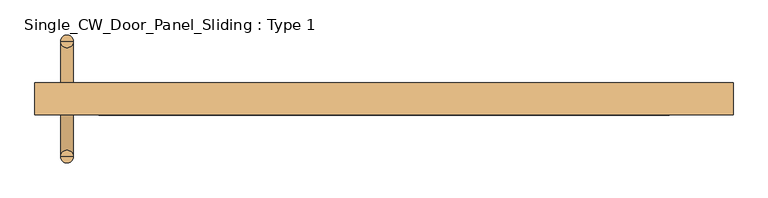
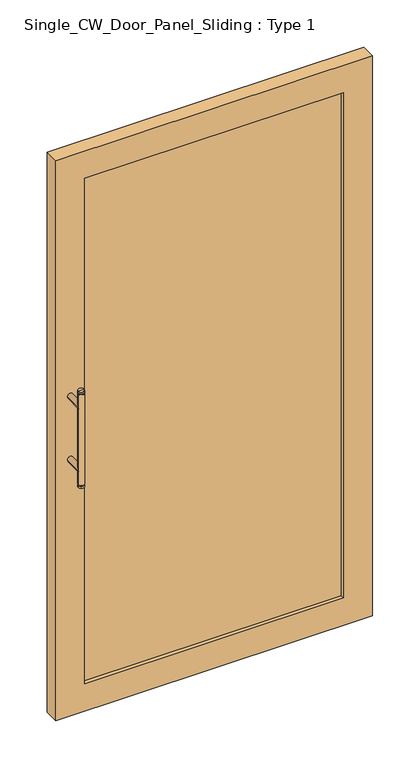
"""IFC4 building model written with IfcOpenShell, lengths in millimetres: door geometry, Single_CW_Door_Panel_Sliding : Type 1."""

import ifcopenshell
import ifcopenshell.guid

model = None  # the IFC model being written
_history = None  # IfcOwnerHistory: only IFC2X3 demands one
_inside = {}  # id of a spatial element -> (the spatial element, [elements in it])
_under = {}  # id of a project, library or spatial element -> (it, [spatial elements below it])
_declared = {}  # id of a project -> (the project, [libraries it declares])
_typed = {}  # id of a type object -> (the type object, [elements of that type])
_made_of = {}  # id of a material, layer set ... -> (it, [elements and type objects made of it])


def new_model(schema):
    """Start an empty IFC model of exactly this schema.

    Asked for "IFC4X3", IfcOpenShell would pick the latest addendum, in which some entities
    have other attributes; the version numbers below select the first issue.
    IFC2X3 requires an IfcOwnerHistory on every rooted entity: one is made here for all.
    """
    global model, _history
    if schema == "IFC4X3":
        model = ifcopenshell.file(schema_version=(4, 3, 0, 0))
    else:
        model = ifcopenshell.file(schema=schema)
    _inside.clear()
    _under.clear()
    _declared.clear()
    _typed.clear()
    _made_of.clear()
    _history = None
    if model.schema == "IFC2X3":
        org = make("IfcOrganization", Name="unknown")
        user = make(
            "IfcPersonAndOrganization",
            ThePerson=make("IfcPerson", FamilyName="unknown"),
            TheOrganization=org,
        )
        app = make(
            "IfcApplication",
            ApplicationDeveloper=org,
            Version="unknown",
            ApplicationFullName="unknown",
            ApplicationIdentifier="unknown",
        )
        _history = make(
            "IfcOwnerHistory",
            OwningUser=user,
            OwningApplication=app,
            ChangeAction="ADDED",
            CreationDate=0,
        )
    return model


def make(cls, **values):
    """One entity of the class cls with the attributes given. An attribute that is None is left unset."""
    return model.create_entity(
        cls, **{name: value for name, value in values.items() if value is not None}
    )


def rooted(cls, **values):
    """An entity with a GlobalId (a new one), such as an element, a storey or a relation."""
    return make(cls, GlobalId=ifcopenshell.guid.new(), OwnerHistory=_history, **values)


def si_unit(unit_type, name, prefix=None):
    """IfcSIUnit, for example si_unit("LENGTHUNIT", "METRE", prefix="MILLI")."""
    return make("IfcSIUnit", UnitType=unit_type, Prefix=prefix, Name=name)


def assignment(units):
    """IfcUnitAssignment: the units of a project."""
    return None if units is None else make("IfcUnitAssignment", Units=units)


def point(xyz):
    """IfcCartesianPoint."""
    return None if xyz is None else make("IfcCartesianPoint", Coordinates=xyz)


def direction(xyz):
    """IfcDirection."""
    return None if xyz is None else make("IfcDirection", DirectionRatios=xyz)


def frame(location, z_axis=None, x_axis=None):
    """IfcAxis2Placement3D, a coordinate frame: its origin and axes. An axis left out is left unset."""
    return make(
        "IfcAxis2Placement3D",
        Location=point(location),
        Axis=direction(z_axis),
        RefDirection=direction(x_axis),
    )


def frame_2d(location, x_axis=None):
    """IfcAxis2Placement2D, a coordinate frame in the plane: its origin and x axis."""
    return make(
        "IfcAxis2Placement2D", Location=point(location), RefDirection=direction(x_axis)
    )


def origin():
    """The frame at (0, 0, 0) with its axes left unset."""
    return frame((0.0, 0.0, 0.0))


def place(relative_to, where):
    """IfcLocalPlacement: puts the frame where relative to a parent placement (None: the world)."""
    return make(
        "IfcLocalPlacement", PlacementRelTo=relative_to, RelativePlacement=where
    )


def context(
    kind, dimensions, precision=None, world=None, true_north=None, identifier=None
):
    """IfcGeometricRepresentationContext, for example the 3D "Model" context."""
    return make(
        "IfcGeometricRepresentationContext",
        ContextIdentifier=identifier,
        ContextType=kind,
        CoordinateSpaceDimension=dimensions,
        Precision=precision,
        WorldCoordinateSystem=world,
        TrueNorth=true_north,
    )


def project(units=None, contexts=None):
    """IfcProject with its units and contexts."""
    return rooted(
        "IfcProject",
        Name="project",
        RepresentationContexts=contexts,
        UnitsInContext=assignment(units),
    )


def spatial(cls, under=None, at=None, **own):
    """A site, building, storey or space (cls), placed at a placement, below another one or the project."""
    s = rooted(cls, ObjectPlacement=at, **own)
    if under is not None:
        _under.setdefault(under.id(), (under, []))[1].append(s)
    return s


def polyline(points):
    """IfcPolyline through the points."""
    return make("IfcPolyline", Points=[point(p) for p in points])


def circle_curve(where, radius):
    """IfcCircle in the frame where."""
    return make("IfcCircle", Position=where, Radius=radius)


def trimmed(basis, trim1, trim2, sense, master):
    """IfcTrimmedCurve: the piece of a basis curve between two trims."""
    return make(
        "IfcTrimmedCurve",
        BasisCurve=basis,
        Trim1=trim1,
        Trim2=trim2,
        SenseAgreement=sense,
        MasterRepresentation=master,
    )


def segment(curve, same_sense, transition):
    """IfcCompositeCurveSegment."""
    return make(
        "IfcCompositeCurveSegment",
        Transition=transition,
        SameSense=same_sense,
        ParentCurve=curve,
    )


def composite_curve(segments, self_intersect=None):
    """IfcCompositeCurve: segments joined end to end."""
    return make("IfcCompositeCurve", Segments=segments, SelfIntersect=self_intersect)


def outline(outer, holes=None, kind="AREA"):
    """IfcArbitraryClosedProfileDef: a profile drawn as a closed curve; with holes, ...WithVoids."""
    if holes is None:
        return make("IfcArbitraryClosedProfileDef", ProfileType=kind, OuterCurve=outer)
    return make(
        "IfcArbitraryProfileDefWithVoids",
        ProfileType=kind,
        OuterCurve=outer,
        InnerCurves=holes,
    )


def extrude(swept, where, along, depth):
    """IfcExtrudedAreaSolid: the profile swept, set in the frame where, extruded along a direction by depth."""
    return make(
        "IfcExtrudedAreaSolid",
        SweptArea=swept,
        Position=where,
        ExtrudedDirection=direction(along),
        Depth=depth,
    )


def shape(context_of_items, identifier, shape_type, items):
    """IfcShapeRepresentation: the items that make up one representation, for example the "Body"."""
    return make(
        "IfcShapeRepresentation",
        ContextOfItems=context_of_items,
        RepresentationIdentifier=identifier,
        RepresentationType=shape_type,
        Items=items,
    )


def source(mapping_origin, context_of_items, identifier, shape_type, items):
    """IfcRepresentationMap: a shape defined once, which mapped items show again and again."""
    return make(
        "IfcRepresentationMap",
        MappingOrigin=mapping_origin,
        MappedRepresentation=shape(context_of_items, identifier, shape_type, items),
    )


def transform(
    local_origin,
    x_axis=None,
    y_axis=None,
    z_axis=None,
    scale=None,
    scale2=None,
    scale3=None,
    uniform=True,
):
    """IfcCartesianTransformationOperator3D, or its non-uniform kind. x_axis, y_axis, z_axis: its Axis1, 2, 3."""
    if uniform:
        return make(
            "IfcCartesianTransformationOperator3D",
            Axis1=direction(x_axis),
            Axis2=direction(y_axis),
            LocalOrigin=point(local_origin),
            Scale=scale,
            Axis3=direction(z_axis),
        )
    return make(
        "IfcCartesianTransformationOperator3DnonUniform",
        Axis1=direction(x_axis),
        Axis2=direction(y_axis),
        LocalOrigin=point(local_origin),
        Scale=scale,
        Axis3=direction(z_axis),
        Scale2=scale2,
        Scale3=scale3,
    )


def mapped(mapping_source, mapping_target):
    """IfcMappedItem: shows the shape of a source again, moved by a transform."""
    return make(
        "IfcMappedItem", MappingSource=mapping_source, MappingTarget=mapping_target
    )


def made_of(thing, what):
    """Note that an element or type object is made of a material, layer set ...; save() writes the relation."""
    if what is not None:
        _made_of.setdefault(what.id(), (what, []))[1].append(thing)
    return thing


def element(
    cls,
    number,
    at=None,
    inside=None,
    cuts=None,
    type_object=None,
    material=None,
    context=None,
    identifier="Body",
    shape_type=None,
    held_by="IfcProductDefinitionShape",
    body=None,
    shapes=None,
    **own,
):
    """One element of the class cls, such as IfcWall. Its Tag is "e" and its number.

    at: its placement. inside: the storey or other place that contains it. cuts: it is an
    opening in that element (IfcRelVoidsElement). A single representation is given by context,
    identifier, shape_type and body (its items); several are given by shapes. held_by: the class
    of the entity that holds the representations. save() writes the other relations.
    """
    e = rooted(cls, Tag="e%d" % number, ObjectPlacement=at, **own)
    if body is not None:
        shapes = [shape(context, identifier, shape_type, body)]
    if shapes is not None:
        e.Representation = make(held_by, Representations=shapes)
    if inside is not None:
        _inside.setdefault(inside.id(), (inside, []))[1].append(e)
    if cuts is not None:
        rooted(
            "IfcRelVoidsElement", RelatingBuildingElement=cuts, RelatedOpeningElement=e
        )
    if type_object is not None:
        _typed.setdefault(type_object.id(), (type_object, []))[1].append(e)
    return made_of(e, material)


def aggregate(whole, parts):
    """IfcRelAggregates: a whole, such as a stair, and the parts it consists of."""
    return rooted("IfcRelAggregates", RelatingObject=whole, RelatedObjects=parts)


def save(model, path):
    """Write the relations noted so far, then the file.

    IfcRelAggregates (storeys below a building ...), IfcRelContainedInSpatialStructure (elements
    in a storey), IfcRelDefinesByType, IfcRelAssociatesMaterial and IfcRelDeclares: one each for
    every whole, place, type object, material and project.
    """
    for whole, parts in _under.values():
        aggregate(whole, parts)
    for where, things in _inside.values():
        rooted(
            "IfcRelContainedInSpatialStructure",
            RelatedElements=things,
            RelatingStructure=where,
        )
    for kind, things in _typed.values():
        rooted("IfcRelDefinesByType", RelatedObjects=things, RelatingType=kind)
    for what, things in _made_of.values():
        rooted("IfcRelAssociatesMaterial", RelatedObjects=things, RelatingMaterial=what)
    for by, libraries in _declared.values():
        rooted("IfcRelDeclares", RelatingContext=by, RelatedDefinitions=libraries)
    model.write(path)


def plane_surface(at):
    """IfcPlane: the flat surface through the origin of the frame at, square to its z axis."""
    return make("IfcPlane", Position=at)


def cylinder_surface(at, radius):
    """IfcCylindricalSurface: all points at the distance radius from the z axis of the frame at."""
    return make("IfcCylindricalSurface", Position=at, Radius=radius)


def advanced_brep(points, edges, surfaces, faces):
    """IfcAdvancedBrep: a solid bounded by faces that lie on surfaces and meet in shared edges.

    An edge is (start, end): straight between two places in points (the first is 0);
    or (start, end, curve); or (start, end, curve, False) where it runs against its curve.
    A face is (place in surfaces, loops), or (place, loops, False) where it looks against
    its surface's normal. A loop lists edges by number (the first is 1), with a minus sign
    where the edge is run from its end to its start. The first loop is the outer one.
    """
    corners = [point(p) for p in points]
    vertices = [make("IfcVertexPoint", VertexGeometry=c) for c in corners]
    made = []
    for start, end, *more in edges:
        made.append(
            make(
                "IfcEdgeCurve",
                EdgeStart=vertices[start],
                EdgeEnd=vertices[end],
                EdgeGeometry=more[0] if more else make("IfcPolyline", Points=[corners[start], corners[end]]),
                SameSense=more[1] if len(more) > 1 else True,
            )
        )
    hull = []
    for where, loops, *sense in faces:
        bounds = []
        for j, loop in enumerate(loops):
            ring = [make("IfcOrientedEdge", EdgeElement=made[abs(k) - 1], Orientation=k > 0) for k in loop]
            bounds.append(
                make(
                    "IfcFaceOuterBound" if j == 0 else "IfcFaceBound",
                    Bound=make("IfcEdgeLoop", EdgeList=ring),
                    Orientation=True,
                )
            )
        hull.append(make("IfcAdvancedFace", Bounds=bounds, FaceSurface=surfaces[where], SameSense=sense[0] if sense else True))
    return make("IfcAdvancedBrep", Outer=make("IfcClosedShell", CfsFaces=hull))


def single_cw_door_panel_sliding_type_1_eefb783d(model_context):
    return source(origin(), model_context, "Body", "SolidModel", [
        advanced_brep(
        [(-485.503163, -90.0, 1219.0), (-485.503163, -90.0, 1225.0), (-505.503163, -90.0, 1225.0), (-505.503163, -90.0, 1219.0), (-503.5355131, -90.0, 1214.7650043), (-503.5355131, -90.0, 1219.0), (-487.4708128, -90.0, 1219.0), (-487.4708128, -90.0, 1214.7650043), (-485.503163, -90.0, 1214.7650043), (-505.503163, -90.0, 1214.7650043), (-485.503163, -90.0, 885.2349957), (-505.503163, -90.0, 885.2349957), (-487.4708128, -90.0, 885.2349957), (-503.5355131, -90.0, 885.2349957), (-487.4708128, -90.0, 881.0), (-503.5355131, -90.0, 881.0), (-485.503163, -90.0, 881.0), (-505.503163, -90.0, 881.0), (-485.503163, -90.0, 875.0), (-505.503163, -90.0, 875.0), (-495.503163, -90.0, 875.0), (-495.503163, -90.0, 1225.0)],
        [
            (0, 1),
            (1, 2, circle_curve(frame((-495.503163, -90.0, 1225.0), z_axis=(0.0, 0.0, -1.0), x_axis=(-1.0, 0.0, 0.0)), 10.0)),
            (2, 3),
            (3, 0, circle_curve(frame((-495.503163, -90.0, 1219.0), z_axis=(0.0, 0.0, 1.0), x_axis=(-1.0, 0.0, 0.0)), 10.0)),
            (4, 5),
            (5, 6, circle_curve(frame((-495.503163, -90.0, 1219.0), z_axis=(0.0, 0.0, -1.0), x_axis=(-1.0, 0.0, 0.0)), 8.0323501)),
            (6, 7),
            (7, 4, circle_curve(frame((-495.503163, -90.0, 1214.7650043), z_axis=(0.0, 0.0, 1.0), x_axis=(-1.0, 0.0, 0.0)), 8.0323501)),
            (2, 1, circle_curve(frame((-495.503163, -90.0, 1225.0), z_axis=(0.0, 0.0, -1.0), x_axis=(-1.0, 0.0, 0.0)), 10.0)),
            (0, 3, circle_curve(frame((-495.503163, -90.0, 1219.0), z_axis=(0.0, 0.0, 1.0), x_axis=(-1.0, 0.0, 0.0)), 10.0)),
            (6, 0),
            (3, 5),
            (5, 6, circle_curve(frame((-495.503163, -90.0, 1219.0), z_axis=(0.0, 0.0, 1.0), x_axis=(-1.0, 0.0, 0.0)), 8.0323501)),
            (4, 7, circle_curve(frame((-495.503163, -90.0, 1214.7650043), z_axis=(0.0, 0.0, 1.0), x_axis=(-1.0, 0.0, 0.0)), 8.0323501)),
            (8, 7),
            (4, 9),
            (9, 8, circle_curve(frame((-495.503163, -90.0, 1214.7650043), z_axis=(0.0, 0.0, 1.0), x_axis=(-1.0, 0.0, 0.0)), 10.0)),
            (8, 9, circle_curve(frame((-495.503163, -90.0, 1214.7650043), z_axis=(0.0, 0.0, 1.0), x_axis=(-1.0, 0.0, 0.0)), 10.0)),
            (10, 8),
            (9, 11),
            (11, 10, circle_curve(frame((-495.503163, -90.0, 885.2349957), z_axis=(0.0, 0.0, 1.0), x_axis=(-1.0, 0.0, 0.0)), 10.0)),
            (10, 11, circle_curve(frame((-495.503163, -90.0, 885.2349957), z_axis=(0.0, 0.0, 1.0), x_axis=(-1.0, 0.0, 0.0)), 10.0)),
            (12, 10),
            (11, 13),
            (13, 12, circle_curve(frame((-495.503163, -90.0, 885.2349957), z_axis=(0.0, 0.0, 1.0), x_axis=(-1.0, 0.0, 0.0)), 8.0323501)),
            (12, 13, circle_curve(frame((-495.503163, -90.0, 885.2349957), z_axis=(0.0, 0.0, 1.0), x_axis=(-1.0, 0.0, 0.0)), 8.0323501)),
            (14, 12),
            (13, 15),
            (15, 14, circle_curve(frame((-495.503163, -90.0, 881.0), z_axis=(0.0, 0.0, 1.0), x_axis=(-1.0, 0.0, 0.0)), 8.0323501)),
            (14, 15, circle_curve(frame((-495.503163, -90.0, 881.0), z_axis=(0.0, 0.0, 1.0), x_axis=(-1.0, 0.0, 0.0)), 8.0323501)),
            (16, 14),
            (15, 17),
            (17, 16, circle_curve(frame((-495.503163, -90.0, 881.0), z_axis=(0.0, 0.0, 1.0), x_axis=(-1.0, 0.0, 0.0)), 10.0)),
            (16, 17, circle_curve(frame((-495.503163, -90.0, 881.0), z_axis=(0.0, 0.0, 1.0), x_axis=(-1.0, 0.0, 0.0)), 10.0)),
            (18, 16),
            (17, 19),
            (19, 18, circle_curve(frame((-495.503163, -90.0, 875.0), z_axis=(0.0, 0.0, 1.0), x_axis=(-1.0, 0.0, 0.0)), 10.0)),
            (18, 19, circle_curve(frame((-495.503163, -90.0, 875.0), z_axis=(0.0, 0.0, 1.0), x_axis=(-1.0, 0.0, 0.0)), 10.0)),
            (20, 18),
            (19, 20),
            (1, 21),
            (21, 2),
        ],
        [
            cylinder_surface(frame((-495.503163, -90.0, 850.0), z_axis=(0.0, 0.0, -1.0), x_axis=(-1.0, 0.0, 0.0)), 10.0),
            cylinder_surface(frame((-495.503163, -90.0, 850.0), z_axis=(0.0, 0.0, -1.0), x_axis=(-1.0, 0.0, 0.0)), 8.0323501),
            plane_surface(frame((-495.503163, -90.0, 1219.0), z_axis=(0.0, 0.0, -1.0), x_axis=(-1.0, 0.0, 0.0))),
            plane_surface(frame((-495.503163, -90.0, 1214.7650043), z_axis=(0.0, 0.0, 1.0), x_axis=(-1.0, 0.0, 0.0))),
            plane_surface(frame((-495.503163, -90.0, 885.2349957), z_axis=(0.0, 0.0, -1.0), x_axis=(-1.0, 0.0, 0.0))),
            plane_surface(frame((-495.503163, -90.0, 881.0), z_axis=(0.0, 0.0, 1.0), x_axis=(-1.0, 0.0, 0.0))),
            plane_surface(frame((-495.503163, -90.0, 875.0), z_axis=(0.0, 0.0, -1.0), x_axis=(-1.0, 0.0, 0.0))),
            plane_surface(frame((-495.503163, -90.0, 1225.0), z_axis=(0.0, 0.0, 1.0), x_axis=(-1.0, 0.0, 0.0))),
        ],
        [
            (0, [[1, 2, 3, 4]]),
            (1, [[5, 6, 7, 8]]),
            (0, [[-3, 9, -1, 10]]),
            (2, [[11, -4, 12, 13]]),
            (2, [[-12, -10, -11, -6]]),
            (1, [[-7, -13, -5, 14]]),
            (3, [[15, -14, 16, 17]]),
            (3, [[-16, -8, -15, 18]]),
            (0, [[19, -17, 20, 21]]),
            (0, [[-20, -18, -19, 22]]),
            (4, [[23, -21, 24, 25]]),
            (4, [[-24, -22, -23, 26]]),
            (1, [[27, -25, 28, 29]]),
            (1, [[-28, -26, -27, 30]]),
            (5, [[31, -29, 32, 33]]),
            (5, [[-32, -30, -31, 34]]),
            (0, [[35, -33, 36, 37]]),
            (0, [[-36, -34, -35, 38]]),
            (6, [[39, -37, 40]]),
            (6, [[-40, -38, -39]]),
            (7, [[41, 42, -2]]),
            (7, [[-42, -41, -9]]),
        ],
    ),
        extrude(outline(composite_curve([segment(trimmed(circle_curve(frame_2d((935.0, -495.503163)), 10.0), [point((935.0, -505.503163))], [point((935.0, -485.503163))], False, "CARTESIAN"), True, "CONTINUOUS"), segment(trimmed(circle_curve(frame_2d((935.0, -495.503163)), 10.0), [point((935.0, -485.503163))], [point((935.0, -505.503163))], False, "CARTESIAN"), True, "CONTINUOUS")], self_intersect=False)), frame((0.0, -90.0, 0.0), z_axis=(0.0, 1.0, 0.0), x_axis=(0.0, 0.0, 1.0)), (0.0, 0.0, 1.0), 65.0),
        extrude(outline(composite_curve([segment(trimmed(circle_curve(frame_2d((1165.0, -495.503163)), 10.0), [point((1165.0, -505.503163))], [point((1165.0, -485.503163))], False, "CARTESIAN"), True, "CONTINUOUS"), segment(trimmed(circle_curve(frame_2d((1165.0, -495.503163)), 10.0), [point((1165.0, -485.503163))], [point((1165.0, -505.503163))], False, "CARTESIAN"), True, "CONTINUOUS")], self_intersect=False)), frame((0.0, -90.0, 0.0), z_axis=(0.0, 1.0, 0.0), x_axis=(0.0, 0.0, 1.0)), (0.0, 0.0, 1.0), 65.0),
        extrude(outline(polyline([(445.503163, -12.5), (-445.503163, -12.5), (-445.503163, 12.5), (445.503163, 12.5), (445.503163, -12.5)])), frame((0.0, 0.0, 100.0), z_axis=(0.0, 0.0, 1.0), x_axis=(1.0, 0.0, 0.0)), (0.0, 0.0, 1.0), 1839.3572971),
        extrude(outline(polyline([(2039.3572971, 545.503163), (2039.3572971, -545.503163), (0.0, -545.503163), (0.0, 545.503163), (2039.3572971, 545.503163)]), holes=[polyline([(1939.3572971, 445.503163), (100.0, 445.503163), (100.0, -445.503163), (1939.3572971, -445.503163), (1939.3572971, 445.503163)])]), frame((0.0, -25.0, 0.0), z_axis=(0.0, 1.0, 0.0), x_axis=(0.0, 0.0, 1.0)), (0.0, 0.0, 1.0), 50.0),
        advanced_brep(
        [(-485.503163, 90.0, 1219.0), (-505.503163, 90.0, 1219.0), (-505.503163, 90.0, 1225.0), (-485.503163, 90.0, 1225.0), (-503.5355131, 90.0, 1214.7650043), (-487.4708128, 90.0, 1214.7650043), (-487.4708128, 90.0, 1219.0), (-503.5355131, 90.0, 1219.0), (-485.503163, 90.0, 1214.7650043), (-505.503163, 90.0, 1214.7650043), (-485.503163, 90.0, 885.2349957), (-505.503163, 90.0, 885.2349957), (-487.4708128, 90.0, 885.2349957), (-503.5355131, 90.0, 885.2349957), (-487.4708128, 90.0, 881.0), (-503.5355131, 90.0, 881.0), (-485.503163, 90.0, 881.0), (-505.503163, 90.0, 881.0), (-485.503163, 90.0, 875.0), (-505.503163, 90.0, 875.0), (-495.503163, 90.0, 875.0), (-495.503163, 90.0, 1225.0)],
        [
            (0, 1, circle_curve(frame((-495.503163, 90.0, 1219.0), z_axis=(0.0, 0.0, 1.0), x_axis=(-1.0, 0.0, 0.0)), 10.0)),
            (1, 2),
            (2, 3, circle_curve(frame((-495.503163, 90.0, 1225.0), z_axis=(0.0, 0.0, -1.0), x_axis=(-1.0, 0.0, 0.0)), 10.0)),
            (3, 0),
            (4, 5, circle_curve(frame((-495.503163, 90.0, 1214.7650043), z_axis=(0.0, 0.0, 1.0), x_axis=(-1.0, 0.0, 0.0)), 8.0323501)),
            (5, 6),
            (6, 7, circle_curve(frame((-495.503163, 90.0, 1219.0), z_axis=(0.0, 0.0, -1.0), x_axis=(-1.0, 0.0, 0.0)), 8.0323501)),
            (7, 4),
            (1, 0, circle_curve(frame((-495.503163, 90.0, 1219.0), z_axis=(0.0, 0.0, 1.0), x_axis=(-1.0, 0.0, 0.0)), 10.0)),
            (3, 2, circle_curve(frame((-495.503163, 90.0, 1225.0), z_axis=(0.0, 0.0, -1.0), x_axis=(-1.0, 0.0, 0.0)), 10.0)),
            (6, 7, circle_curve(frame((-495.503163, 90.0, 1219.0), z_axis=(0.0, 0.0, 1.0), x_axis=(-1.0, 0.0, 0.0)), 8.0323501)),
            (7, 1),
            (0, 6),
            (5, 4, circle_curve(frame((-495.503163, 90.0, 1214.7650043), z_axis=(0.0, 0.0, 1.0), x_axis=(-1.0, 0.0, 0.0)), 8.0323501)),
            (8, 9, circle_curve(frame((-495.503163, 90.0, 1214.7650043), z_axis=(0.0, 0.0, 1.0), x_axis=(-1.0, 0.0, 0.0)), 10.0)),
            (9, 4),
            (5, 8),
            (9, 8, circle_curve(frame((-495.503163, 90.0, 1214.7650043), z_axis=(0.0, 0.0, 1.0), x_axis=(-1.0, 0.0, 0.0)), 10.0)),
            (10, 11, circle_curve(frame((-495.503163, 90.0, 885.2349957), z_axis=(0.0, 0.0, 1.0), x_axis=(-1.0, 0.0, 0.0)), 10.0)),
            (11, 9),
            (8, 10),
            (11, 10, circle_curve(frame((-495.503163, 90.0, 885.2349957), z_axis=(0.0, 0.0, 1.0), x_axis=(-1.0, 0.0, 0.0)), 10.0)),
            (12, 13, circle_curve(frame((-495.503163, 90.0, 885.2349957), z_axis=(0.0, 0.0, 1.0), x_axis=(-1.0, 0.0, 0.0)), 8.0323501)),
            (13, 11),
            (10, 12),
            (13, 12, circle_curve(frame((-495.503163, 90.0, 885.2349957), z_axis=(0.0, 0.0, 1.0), x_axis=(-1.0, 0.0, 0.0)), 8.0323501)),
            (14, 15, circle_curve(frame((-495.503163, 90.0, 881.0), z_axis=(0.0, 0.0, 1.0), x_axis=(-1.0, 0.0, 0.0)), 8.0323501)),
            (15, 13),
            (12, 14),
            (15, 14, circle_curve(frame((-495.503163, 90.0, 881.0), z_axis=(0.0, 0.0, 1.0), x_axis=(-1.0, 0.0, 0.0)), 8.0323501)),
            (16, 17, circle_curve(frame((-495.503163, 90.0, 881.0), z_axis=(0.0, 0.0, 1.0), x_axis=(-1.0, 0.0, 0.0)), 10.0)),
            (17, 15),
            (14, 16),
            (17, 16, circle_curve(frame((-495.503163, 90.0, 881.0), z_axis=(0.0, 0.0, 1.0), x_axis=(-1.0, 0.0, 0.0)), 10.0)),
            (18, 19, circle_curve(frame((-495.503163, 90.0, 875.0), z_axis=(0.0, 0.0, 1.0), x_axis=(-1.0, 0.0, 0.0)), 10.0)),
            (19, 17),
            (16, 18),
            (19, 18, circle_curve(frame((-495.503163, 90.0, 875.0), z_axis=(0.0, 0.0, 1.0), x_axis=(-1.0, 0.0, 0.0)), 10.0)),
            (20, 19),
            (18, 20),
            (2, 21),
            (21, 3),
        ],
        [
            cylinder_surface(frame((-495.503163, 90.0, 850.0), z_axis=(0.0, 0.0, -1.0), x_axis=(-1.0, 0.0, 0.0)), 10.0),
            cylinder_surface(frame((-495.503163, 90.0, 850.0), z_axis=(0.0, 0.0, -1.0), x_axis=(-1.0, 0.0, 0.0)), 8.0323501),
            plane_surface(frame((-495.503163, 90.0, 1219.0), z_axis=(0.0, 0.0, -1.0), x_axis=(-1.0, 0.0, 0.0))),
            plane_surface(frame((-495.503163, 90.0, 1214.7650043), z_axis=(0.0, 0.0, 1.0), x_axis=(-1.0, 0.0, 0.0))),
            plane_surface(frame((-495.503163, 90.0, 885.2349957), z_axis=(0.0, 0.0, -1.0), x_axis=(-1.0, 0.0, 0.0))),
            plane_surface(frame((-495.503163, 90.0, 881.0), z_axis=(0.0, 0.0, 1.0), x_axis=(-1.0, 0.0, 0.0))),
            plane_surface(frame((-495.503163, 90.0, 875.0), z_axis=(0.0, 0.0, -1.0), x_axis=(-1.0, 0.0, 0.0))),
            plane_surface(frame((-495.503163, 90.0, 1225.0), z_axis=(0.0, 0.0, 1.0), x_axis=(-1.0, 0.0, 0.0))),
        ],
        [
            (0, [[1, 2, 3, 4]]),
            (1, [[5, 6, 7, 8]]),
            (0, [[9, -4, 10, -2]]),
            (2, [[11, 12, -1, 13]]),
            (2, [[-7, -13, -9, -12]]),
            (1, [[14, -8, -11, -6]]),
            (3, [[15, 16, -14, 17]]),
            (3, [[18, -17, -5, -16]]),
            (0, [[19, 20, -15, 21]]),
            (0, [[22, -21, -18, -20]]),
            (4, [[23, 24, -19, 25]]),
            (4, [[26, -25, -22, -24]]),
            (1, [[27, 28, -23, 29]]),
            (1, [[30, -29, -26, -28]]),
            (5, [[31, 32, -27, 33]]),
            (5, [[34, -33, -30, -32]]),
            (0, [[35, 36, -31, 37]]),
            (0, [[38, -37, -34, -36]]),
            (6, [[39, -35, 40]]),
            (6, [[-40, -38, -39]]),
            (7, [[-3, 41, 42]]),
            (7, [[-10, -42, -41]]),
        ],
    ),
        extrude(outline(composite_curve([segment(trimmed(circle_curve(frame_2d((1165.0, -495.503163)), 10.0), [point((1165.0, -505.503163))], [point((1165.0, -485.503163))], False, "CARTESIAN"), True, "CONTINUOUS"), segment(trimmed(circle_curve(frame_2d((1165.0, -495.503163)), 10.0), [point((1165.0, -485.503163))], [point((1165.0, -505.503163))], False, "CARTESIAN"), True, "CONTINUOUS")], self_intersect=False)), frame((0.0, 25.0, 0.0), z_axis=(0.0, 1.0, 0.0), x_axis=(0.0, 0.0, 1.0)), (0.0, 0.0, 1.0), 65.0),
        extrude(outline(composite_curve([segment(trimmed(circle_curve(frame_2d((935.0, -495.503163)), 10.0), [point((935.0, -505.503163))], [point((935.0, -485.503163))], False, "CARTESIAN"), True, "CONTINUOUS"), segment(trimmed(circle_curve(frame_2d((935.0, -495.503163)), 10.0), [point((935.0, -485.503163))], [point((935.0, -505.503163))], False, "CARTESIAN"), True, "CONTINUOUS")], self_intersect=False)), frame((0.0, 25.0, 0.0), z_axis=(0.0, 1.0, 0.0), x_axis=(0.0, 0.0, 1.0)), (0.0, 0.0, 1.0), 65.0),
    ])


if __name__ == "__main__":
    model = new_model("IFC4")
    model_context = context("Model", 3, world=origin())
    ifc_project = project(units=[si_unit("LENGTHUNIT", "METRE", prefix="MILLI")], contexts=[model_context])
    site = spatial("IfcSite", under=ifc_project)
    building = spatial("IfcBuilding", under=site)
    placement = place(None, origin())
    single_cw_door_panel_sliding_type_1_shape = single_cw_door_panel_sliding_type_1_eefb783d(model_context)
    element("IfcDoor", 1, ObjectType="Single_CW_Door_Panel_Sliding : Type 1", at=placement, inside=building, context=model_context, shape_type="MappedRepresentation", body=[
        mapped(single_cw_door_panel_sliding_type_1_shape, transform((0.0, 0.0, 0.0), x_axis=(1.0, 0.0, 0.0), y_axis=(0.0, 1.0, 0.0), z_axis=(0.0, 0.0, 1.0))),
    ])
    save(model, "model.ifc")
